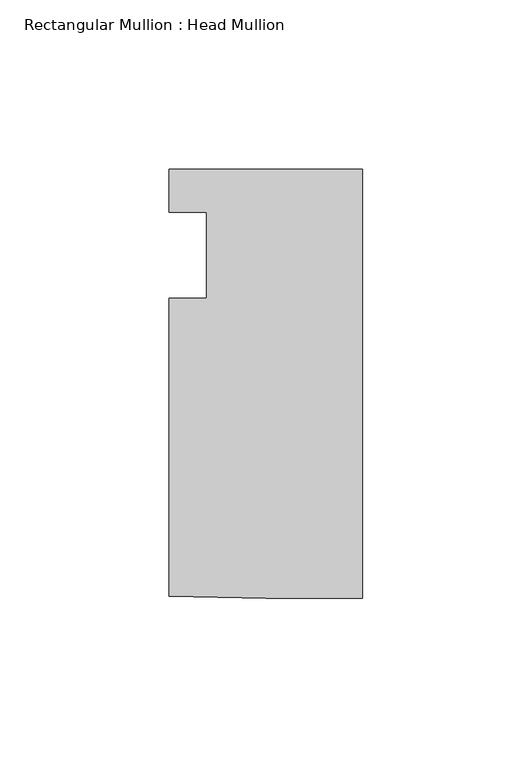
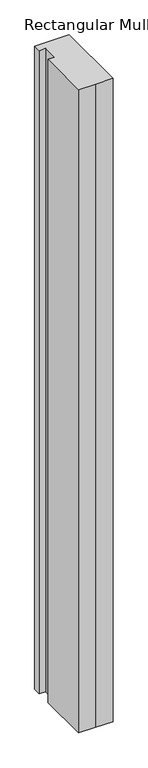
"""IFC4 building model written with IfcOpenShell, lengths in millimetres: member geometry, Rectangular Mullion : Head Mullion."""

from ifc_helpers import new_model, si_unit, frame, origin, place, context, project, spatial, polyline, outline, extrude, source, transform, mapped, element, save


def rectangular_mullion_head_mullion_ca2b0199(model_context):
    return source(origin(), model_context, "Body", "SweptSolid", [
        extrude(outline(polyline([(-57.1999432, -12.6360281), (-46.0996791, -12.6360281), (-46.0996791, 12.7639719), (-57.1500093, 12.7639719), (-57.1500093, 25.4), (0.0, 25.4), (0.0, -101.2633929), (-28.6202587, -101.2633929), (-57.1999432, -100.7860704), (-57.1999432, -12.6360281)])), frame((0.0, 0.0, -1133.475), z_axis=(0.0, 0.0, 1.0), x_axis=(1.0, 0.0, 0.0)), (0.0, 0.0, 1.0), 1133.475),
    ])


if __name__ == "__main__":
    model = new_model("IFC4")
    model_context = context("Model", 3, world=origin())
    ifc_project = project(units=[si_unit("LENGTHUNIT", "METRE", prefix="MILLI")], contexts=[model_context])
    site = spatial("IfcSite", under=ifc_project)
    building = spatial("IfcBuilding", under=site)
    placement = place(None, origin())
    rectangular_mullion_head_mullion_shape = rectangular_mullion_head_mullion_ca2b0199(model_context)
    element("IfcMember", 1, ObjectType="Rectangular Mullion : Head Mullion", at=placement, inside=building, context=model_context, shape_type="MappedRepresentation", body=[
        mapped(rectangular_mullion_head_mullion_shape, transform((0.0, 0.0, 0.0), x_axis=(1.0, 0.0, 0.0), y_axis=(0.0, 1.0, 0.0), z_axis=(0.0, 0.0, 1.0))),
    ])
    save(model, "model.ifc")
